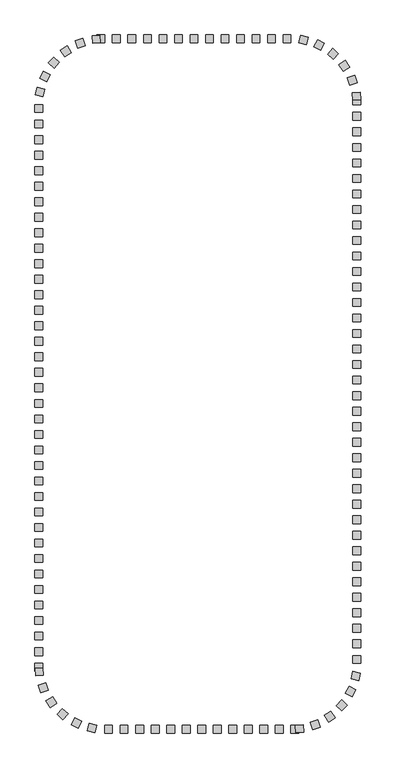
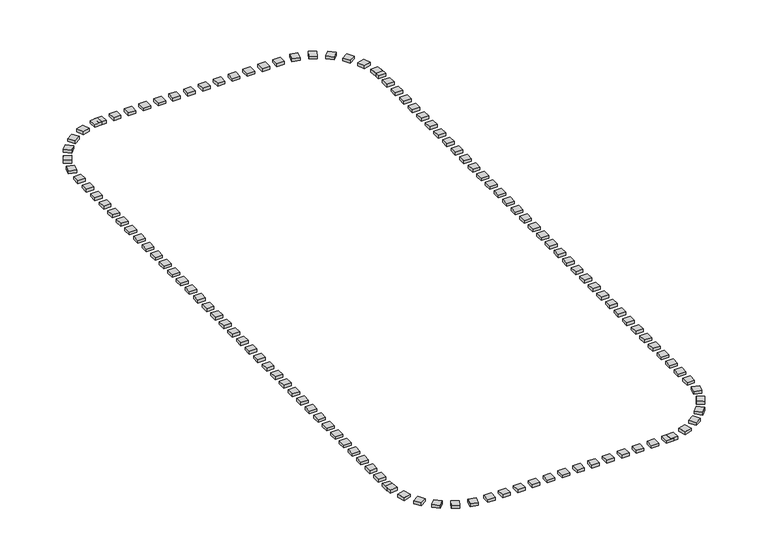
"""IFC4 building model written with IfcOpenShell, lengths in millimetres: railing geometry."""

from ifc_helpers import new_model, si_unit, origin, origin_with_axes, place, context, project, spatial, polyline, outline, extrude, source, transform, mapped, element, save


def railing_abcdac94(model_context):
    return source(origin(), model_context, "Body", "SweptSolid", [
        extrude(outline(polyline([(-58627.5176302, 2754.6603569), (-58627.5176302, 2254.6603569), (-59127.5176302, 2254.6603569), (-59127.5176302, 2754.6603569), (-58627.5176302, 2754.6603569)])), origin_with_axes(), (0.0, 0.0, 1.0), 200.0),
        extrude(outline(polyline([(-59627.5176302, 2754.6603569), (-59627.5176302, 2254.6603569), (-60127.5176302, 2254.6603569), (-60127.5176302, 2754.6603569), (-59627.5176302, 2754.6603569)])), origin_with_axes(), (0.0, 0.0, 1.0), 200.0),
        extrude(outline(polyline([(-60627.5176302, 2754.6603569), (-60627.5176302, 2254.6603569), (-61127.5176302, 2254.6603569), (-61127.5176302, 2754.6603569), (-60627.5176302, 2754.6603569)])), origin_with_axes(), (0.0, 0.0, 1.0), 200.0),
        extrude(outline(polyline([(-61627.5176302, 2754.6603569), (-61627.5176302, 2254.6603569), (-62127.5176302, 2254.6603569), (-62127.5176302, 2754.6603569), (-61627.5176302, 2754.6603569)])), origin_with_axes(), (0.0, 0.0, 1.0), 200.0),
        extrude(outline(polyline([(-62627.5176302, 2754.6603569), (-62627.5176302, 2254.6603569), (-63127.5176302, 2254.6603569), (-63127.5176302, 2754.6603569), (-62627.5176302, 2754.6603569)])), origin_with_axes(), (0.0, 0.0, 1.0), 200.0),
        extrude(outline(polyline([(-63627.5176302, 2754.6603569), (-63627.5176302, 2254.6603569), (-64127.5176302, 2254.6603569), (-64127.5176302, 2754.6603569), (-63627.5176302, 2754.6603569)])), origin_with_axes(), (0.0, 0.0, 1.0), 200.0),
        extrude(outline(polyline([(-64627.5176302, 2754.6603569), (-64627.5176302, 2254.6603569), (-65127.5176302, 2254.6603569), (-65127.5176302, 2754.6603569), (-64627.5176302, 2754.6603569)])), origin_with_axes(), (0.0, 0.0, 1.0), 200.0),
        extrude(outline(polyline([(-65627.5176302, 2754.6603569), (-65627.5176302, 2254.6603569), (-66127.5176302, 2254.6603569), (-66127.5176302, 2754.6603569), (-65627.5176302, 2754.6603569)])), origin_with_axes(), (0.0, 0.0, 1.0), 200.0),
        extrude(outline(polyline([(-66627.5176302, 2754.6603569), (-66627.5176302, 2254.6603569), (-67127.5176302, 2254.6603569), (-67127.5176302, 2754.6603569), (-66627.5176302, 2754.6603569)])), origin_with_axes(), (0.0, 0.0, 1.0), 200.0),
        extrude(outline(polyline([(-67627.5176302, 2754.6603569), (-67627.5176302, 2254.6603569), (-68127.5176302, 2254.6603569), (-68127.5176302, 2754.6603569), (-67627.5176302, 2754.6603569)])), origin_with_axes(), (0.0, 0.0, 1.0), 200.0),
        extrude(outline(polyline([(-68627.5176302, 2754.6603569), (-68627.5176302, 2254.6603569), (-69127.5176302, 2254.6603569), (-69127.5176302, 2754.6603569), (-68627.5176302, 2754.6603569)])), origin_with_axes(), (0.0, 0.0, 1.0), 200.0),
        extrude(outline(polyline([(-69945.8350377, 2743.3877966), (-69910.4664368, 2244.6403033), (-70409.2139301, 2209.2717025), (-70444.582531, 2708.0191958), (-69945.8350377, 2743.3877966)])), origin_with_axes(), (0.0, 0.0, 1.0), 200.0),
        extrude(outline(polyline([(-71046.4682609, 2525.091144), (-70888.8070797, 2050.5988343), (-71363.2993894, 1892.9376531), (-71520.9605706, 2367.4299628), (-71046.4682609, 2525.091144)])), origin_with_axes(), (0.0, 0.0, 1.0), 200.0),
        extrude(outline(polyline([(-72058.8780066, 2041.2797885), (-71788.7268536, 1620.5442961), (-72209.462346, 1350.3931432), (-72479.613499, 1771.1286356), (-72058.8780066, 2041.2797885)])), origin_with_axes(), (0.0, 0.0, 1.0), 200.0),
        extrude(outline(polyline([(-72920.1175401, 1322.034777), (-72554.2731056, 981.215397), (-72895.0924857, 615.3709625), (-73260.9369201, 956.1903425), (-72920.1175401, 1322.034777)])), origin_with_axes(), (0.0, 0.0, 1.0), 200.0),
        extrude(outline(polyline([(-73576.6391587, 412.0752806), (-73137.8478777, 172.3625113), (-73377.560647, -266.4287697), (-73816.351928, -26.7160004), (-73576.6391587, 412.0752806)])), origin_with_axes(), (0.0, 0.0, 1.0), 200.0),
        extrude(outline(polyline([(-73987.6235278, -632.0218265), (-73503.167317, -755.7238061), (-73626.8692966, -1240.180017), (-74111.3255075, -1116.4780373), (-73987.6235278, -632.0218265)])), origin_with_axes(), (0.0, 0.0, 1.0), 200.0),
        extrude(outline(polyline([(-74127.5176302, -2745.3396431), (-73627.5176302, -2745.3396431), (-73627.5176302, -3245.3396431), (-74127.5176302, -3245.3396431), (-74127.5176302, -2745.3396431)])), origin_with_axes(), (0.0, 0.0, 1.0), 200.0),
        extrude(outline(polyline([(-74127.5176302, -3745.3396431), (-73627.5176302, -3745.3396431), (-73627.5176302, -4245.3396431), (-74127.5176302, -4245.3396431), (-74127.5176302, -3745.3396431)])), origin_with_axes(), (0.0, 0.0, 1.0), 200.0),
        extrude(outline(polyline([(-74127.5176302, -4745.3396431), (-73627.5176302, -4745.3396431), (-73627.5176302, -5245.3396431), (-74127.5176302, -5245.3396431), (-74127.5176302, -4745.3396431)])), origin_with_axes(), (0.0, 0.0, 1.0), 200.0),
        extrude(outline(polyline([(-74127.5176302, -5745.3396431), (-73627.5176302, -5745.3396431), (-73627.5176302, -6245.3396431), (-74127.5176302, -6245.3396431), (-74127.5176302, -5745.3396431)])), origin_with_axes(), (0.0, 0.0, 1.0), 200.0),
        extrude(outline(polyline([(-74127.5176302, -6745.3396431), (-73627.5176302, -6745.3396431), (-73627.5176302, -7245.3396431), (-74127.5176302, -7245.3396431), (-74127.5176302, -6745.3396431)])), origin_with_axes(), (0.0, 0.0, 1.0), 200.0),
        extrude(outline(polyline([(-74127.5176302, -7745.3396431), (-73627.5176302, -7745.3396431), (-73627.5176302, -8245.3396431), (-74127.5176302, -8245.3396431), (-74127.5176302, -7745.3396431)])), origin_with_axes(), (0.0, 0.0, 1.0), 200.0),
        extrude(outline(polyline([(-74127.5176302, -8745.3396431), (-73627.5176302, -8745.3396431), (-73627.5176302, -9245.3396431), (-74127.5176302, -9245.3396431), (-74127.5176302, -8745.3396431)])), origin_with_axes(), (0.0, 0.0, 1.0), 200.0),
        extrude(outline(polyline([(-74127.5176302, -9745.3396431), (-73627.5176302, -9745.3396431), (-73627.5176302, -10245.3396431), (-74127.5176302, -10245.3396431), (-74127.5176302, -9745.3396431)])), origin_with_axes(), (0.0, 0.0, 1.0), 200.0),
        extrude(outline(polyline([(-74127.5176302, -10745.3396431), (-73627.5176302, -10745.3396431), (-73627.5176302, -11245.3396431), (-74127.5176302, -11245.3396431), (-74127.5176302, -10745.3396431)])), origin_with_axes(), (0.0, 0.0, 1.0), 200.0),
        extrude(outline(polyline([(-74127.5176302, -11745.3396431), (-73627.5176302, -11745.3396431), (-73627.5176302, -12245.3396431), (-74127.5176302, -12245.3396431), (-74127.5176302, -11745.3396431)])), origin_with_axes(), (0.0, 0.0, 1.0), 200.0),
        extrude(outline(polyline([(-74127.5176302, -12745.3396431), (-73627.5176302, -12745.3396431), (-73627.5176302, -13245.3396431), (-74127.5176302, -13245.3396431), (-74127.5176302, -12745.3396431)])), origin_with_axes(), (0.0, 0.0, 1.0), 200.0),
        extrude(outline(polyline([(-74127.5176302, -13745.3396431), (-73627.5176302, -13745.3396431), (-73627.5176302, -14245.3396431), (-74127.5176302, -14245.3396431), (-74127.5176302, -13745.3396431)])), origin_with_axes(), (0.0, 0.0, 1.0), 200.0),
        extrude(outline(polyline([(-74127.5176302, -14745.3396431), (-73627.5176302, -14745.3396431), (-73627.5176302, -15245.3396431), (-74127.5176302, -15245.3396431), (-74127.5176302, -14745.3396431)])), origin_with_axes(), (0.0, 0.0, 1.0), 200.0),
        extrude(outline(polyline([(-74127.5176302, -15745.3396431), (-73627.5176302, -15745.3396431), (-73627.5176302, -16245.3396431), (-74127.5176302, -16245.3396431), (-74127.5176302, -15745.3396431)])), origin_with_axes(), (0.0, 0.0, 1.0), 200.0),
        extrude(outline(polyline([(-74127.5176302, -16745.3396431), (-73627.5176302, -16745.3396431), (-73627.5176302, -17245.3396431), (-74127.5176302, -17245.3396431), (-74127.5176302, -16745.3396431)])), origin_with_axes(), (0.0, 0.0, 1.0), 200.0),
        extrude(outline(polyline([(-74127.5176302, -17745.3396431), (-73627.5176302, -17745.3396431), (-73627.5176302, -18245.3396431), (-74127.5176302, -18245.3396431), (-74127.5176302, -17745.3396431)])), origin_with_axes(), (0.0, 0.0, 1.0), 200.0),
        extrude(outline(polyline([(-74127.5176302, -18745.3396431), (-73627.5176302, -18745.3396431), (-73627.5176302, -19245.3396431), (-74127.5176302, -19245.3396431), (-74127.5176302, -18745.3396431)])), origin_with_axes(), (0.0, 0.0, 1.0), 200.0),
        extrude(outline(polyline([(-74127.5176302, -19745.3396431), (-73627.5176302, -19745.3396431), (-73627.5176302, -20245.3396431), (-74127.5176302, -20245.3396431), (-74127.5176302, -19745.3396431)])), origin_with_axes(), (0.0, 0.0, 1.0), 200.0),
        extrude(outline(polyline([(-74127.5176302, -20745.3396431), (-73627.5176302, -20745.3396431), (-73627.5176302, -21245.3396431), (-74127.5176302, -21245.3396431), (-74127.5176302, -20745.3396431)])), origin_with_axes(), (0.0, 0.0, 1.0), 200.0),
        extrude(outline(polyline([(-74127.5176302, -21745.3396431), (-73627.5176302, -21745.3396431), (-73627.5176302, -22245.3396431), (-74127.5176302, -22245.3396431), (-74127.5176302, -21745.3396431)])), origin_with_axes(), (0.0, 0.0, 1.0), 200.0),
        extrude(outline(polyline([(-74127.5176302, -22745.3396431), (-73627.5176302, -22745.3396431), (-73627.5176302, -23245.3396431), (-74127.5176302, -23245.3396431), (-74127.5176302, -22745.3396431)])), origin_with_axes(), (0.0, 0.0, 1.0), 200.0),
        extrude(outline(polyline([(-74127.5176302, -23745.3396431), (-73627.5176302, -23745.3396431), (-73627.5176302, -24245.3396431), (-74127.5176302, -24245.3396431), (-74127.5176302, -23745.3396431)])), origin_with_axes(), (0.0, 0.0, 1.0), 200.0),
        extrude(outline(polyline([(-74127.5176302, -24745.3396431), (-73627.5176302, -24745.3396431), (-73627.5176302, -25245.3396431), (-74127.5176302, -25245.3396431), (-74127.5176302, -24745.3396431)])), origin_with_axes(), (0.0, 0.0, 1.0), 200.0),
        extrude(outline(polyline([(-74127.5176302, -25745.3396431), (-73627.5176302, -25745.3396431), (-73627.5176302, -26245.3396431), (-74127.5176302, -26245.3396431), (-74127.5176302, -25745.3396431)])), origin_with_axes(), (0.0, 0.0, 1.0), 200.0),
        extrude(outline(polyline([(-74127.5176302, -26745.3396431), (-73627.5176302, -26745.3396431), (-73627.5176302, -27245.3396431), (-74127.5176302, -27245.3396431), (-74127.5176302, -26745.3396431)])), origin_with_axes(), (0.0, 0.0, 1.0), 200.0),
        extrude(outline(polyline([(-74127.5176302, -27745.3396431), (-73627.5176302, -27745.3396431), (-73627.5176302, -28245.3396431), (-74127.5176302, -28245.3396431), (-74127.5176302, -27745.3396431)])), origin_with_axes(), (0.0, 0.0, 1.0), 200.0),
        extrude(outline(polyline([(-74127.5176302, -28745.3396431), (-73627.5176302, -28745.3396431), (-73627.5176302, -29245.3396431), (-74127.5176302, -29245.3396431), (-74127.5176302, -28745.3396431)])), origin_with_axes(), (0.0, 0.0, 1.0), 200.0),
        extrude(outline(polyline([(-74127.5176302, -29745.3396431), (-73627.5176302, -29745.3396431), (-73627.5176302, -30245.3396431), (-74127.5176302, -30245.3396431), (-74127.5176302, -29745.3396431)])), origin_with_axes(), (0.0, 0.0, 1.0), 200.0),
        extrude(outline(polyline([(-74127.5176302, -30745.3396431), (-73627.5176302, -30745.3396431), (-73627.5176302, -31245.3396431), (-74127.5176302, -31245.3396431), (-74127.5176302, -30745.3396431)])), origin_with_axes(), (0.0, 0.0, 1.0), 200.0),
        extrude(outline(polyline([(-74127.5176302, -31745.3396431), (-73627.5176302, -31745.3396431), (-73627.5176302, -32245.3396431), (-74127.5176302, -32245.3396431), (-74127.5176302, -31745.3396431)])), origin_with_axes(), (0.0, 0.0, 1.0), 200.0),
        extrude(outline(polyline([(-74127.5176302, -32745.3396431), (-73627.5176302, -32745.3396431), (-73627.5176302, -33245.3396431), (-74127.5176302, -33245.3396431), (-74127.5176302, -32745.3396431)])), origin_with_axes(), (0.0, 0.0, 1.0), 200.0),
        extrude(outline(polyline([(-74127.5176302, -33745.3396431), (-73627.5176302, -33745.3396431), (-73627.5176302, -34245.3396431), (-74127.5176302, -34245.3396431), (-74127.5176302, -33745.3396431)])), origin_with_axes(), (0.0, 0.0, 1.0), 200.0),
        extrude(outline(polyline([(-74127.5176302, -34745.3396431), (-73627.5176302, -34745.3396431), (-73627.5176302, -35245.3396431), (-74127.5176302, -35245.3396431), (-74127.5176302, -34745.3396431)])), origin_with_axes(), (0.0, 0.0, 1.0), 200.0),
        extrude(outline(polyline([(-74127.5176302, -35745.3396431), (-73627.5176302, -35745.3396431), (-73627.5176302, -36245.3396431), (-74127.5176302, -36245.3396431), (-74127.5176302, -35745.3396431)])), origin_with_axes(), (0.0, 0.0, 1.0), 200.0),
        extrude(outline(polyline([(-74127.5176302, -36745.3396431), (-73627.5176302, -36745.3396431), (-73627.5176302, -37245.3396431), (-74127.5176302, -37245.3396431), (-74127.5176302, -36745.3396431)])), origin_with_axes(), (0.0, 0.0, 1.0), 200.0),
        extrude(outline(polyline([(-74116.2450699, -38063.6570506), (-73617.4975766, -38028.2884498), (-73582.1289757, -38527.0359431), (-74080.876469, -38562.4045439), (-74116.2450699, -38063.6570506)])), origin_with_axes(), (0.0, 0.0, 1.0), 200.0),
        extrude(outline(polyline([(-73897.9484173, -39164.2902739), (-73423.4561076, -39006.6290927), (-73265.7949264, -39481.1214024), (-73740.2872361, -39638.7825836), (-73897.9484173, -39164.2902739)])), origin_with_axes(), (0.0, 0.0, 1.0), 200.0),
        extrude(outline(polyline([(-73414.1370618, -40176.7000195), (-72993.4015694, -39906.5488666), (-72723.2504164, -40327.284359), (-73143.9859089, -40597.4355119), (-73414.1370618, -40176.7000195)])), origin_with_axes(), (0.0, 0.0, 1.0), 200.0),
        extrude(outline(polyline([(-72694.8920503, -41037.9395531), (-72354.0726702, -40672.0951186), (-71988.2282358, -41012.9144986), (-72329.0476158, -41378.7589331), (-72694.8920503, -41037.9395531)])), origin_with_axes(), (0.0, 0.0, 1.0), 200.0),
        extrude(outline(polyline([(-71784.9325539, -41694.4611716), (-71545.2197846, -41255.6698907), (-71106.4285036, -41495.38266), (-71346.1412729, -41934.1739409), (-71784.9325539, -41694.4611716)])), origin_with_axes(), (0.0, 0.0, 1.0), 200.0),
        extrude(outline(polyline([(-70740.8354468, -42105.4455408), (-70617.1334672, -41620.98933), (-70132.6772563, -41744.6913096), (-70256.3792359, -42229.1475205), (-70740.8354468, -42105.4455408)])), origin_with_axes(), (0.0, 0.0, 1.0), 200.0),
        extrude(outline(polyline([(-68627.5176302, -42245.3396431), (-68627.5176302, -41745.3396431), (-68127.5176302, -41745.3396431), (-68127.5176302, -42245.3396431), (-68627.5176302, -42245.3396431)])), origin_with_axes(), (0.0, 0.0, 1.0), 200.0),
        extrude(outline(polyline([(-67627.5176302, -42245.3396431), (-67627.5176302, -41745.3396431), (-67127.5176302, -41745.3396431), (-67127.5176302, -42245.3396431), (-67627.5176302, -42245.3396431)])), origin_with_axes(), (0.0, 0.0, 1.0), 200.0),
        extrude(outline(polyline([(-66627.5176302, -42245.3396431), (-66627.5176302, -41745.3396431), (-66127.5176302, -41745.3396431), (-66127.5176302, -42245.3396431), (-66627.5176302, -42245.3396431)])), origin_with_axes(), (0.0, 0.0, 1.0), 200.0),
        extrude(outline(polyline([(-65627.5176302, -42245.3396431), (-65627.5176302, -41745.3396431), (-65127.5176302, -41745.3396431), (-65127.5176302, -42245.3396431), (-65627.5176302, -42245.3396431)])), origin_with_axes(), (0.0, 0.0, 1.0), 200.0),
        extrude(outline(polyline([(-64627.5176302, -42245.3396431), (-64627.5176302, -41745.3396431), (-64127.5176302, -41745.3396431), (-64127.5176302, -42245.3396431), (-64627.5176302, -42245.3396431)])), origin_with_axes(), (0.0, 0.0, 1.0), 200.0),
        extrude(outline(polyline([(-63627.5176302, -42245.3396431), (-63627.5176302, -41745.3396431), (-63127.5176302, -41745.3396431), (-63127.5176302, -42245.3396431), (-63627.5176302, -42245.3396431)])), origin_with_axes(), (0.0, 0.0, 1.0), 200.0),
        extrude(outline(polyline([(-62627.5176302, -42245.3396431), (-62627.5176302, -41745.3396431), (-62127.5176302, -41745.3396431), (-62127.5176302, -42245.3396431), (-62627.5176302, -42245.3396431)])), origin_with_axes(), (0.0, 0.0, 1.0), 200.0),
        extrude(outline(polyline([(-61627.5176302, -42245.3396431), (-61627.5176302, -41745.3396431), (-61127.5176302, -41745.3396431), (-61127.5176302, -42245.3396431), (-61627.5176302, -42245.3396431)])), origin_with_axes(), (0.0, 0.0, 1.0), 200.0),
        extrude(outline(polyline([(-60627.5176302, -42245.3396431), (-60627.5176302, -41745.3396431), (-60127.5176302, -41745.3396431), (-60127.5176302, -42245.3396431), (-60627.5176302, -42245.3396431)])), origin_with_axes(), (0.0, 0.0, 1.0), 200.0),
        extrude(outline(polyline([(-59627.5176302, -42245.3396431), (-59627.5176302, -41745.3396431), (-59127.5176302, -41745.3396431), (-59127.5176302, -42245.3396431), (-59627.5176302, -42245.3396431)])), origin_with_axes(), (0.0, 0.0, 1.0), 200.0),
        extrude(outline(polyline([(-58627.5176302, -42245.3396431), (-58627.5176302, -41745.3396431), (-58127.5176302, -41745.3396431), (-58127.5176302, -42245.3396431), (-58627.5176302, -42245.3396431)])), origin_with_axes(), (0.0, 0.0, 1.0), 200.0),
        extrude(outline(polyline([(-57309.2002226, -42234.0670828), (-57344.5688235, -41735.3195895), (-56845.8213302, -41699.9509887), (-56810.4527293, -42198.698482), (-57309.2002226, -42234.0670828)])), origin_with_axes(), (0.0, 0.0, 1.0), 200.0),
        extrude(outline(polyline([(-56208.5669994, -42015.7704302), (-56366.2281806, -41541.2781206), (-55891.7358709, -41383.6169394), (-55734.0746897, -41858.109249), (-56208.5669994, -42015.7704302)])), origin_with_axes(), (0.0, 0.0, 1.0), 200.0),
        extrude(outline(polyline([(-55196.1572537, -41531.9590748), (-55466.3084067, -41111.2235824), (-55045.5729143, -40841.0724294), (-54775.4217613, -41261.8079218), (-55196.1572537, -41531.9590748)])), origin_with_axes(), (0.0, 0.0, 1.0), 200.0),
        extrude(outline(polyline([(-54334.9177202, -40812.7140632), (-54700.7621547, -40471.8946832), (-54359.9427746, -40106.0502488), (-53994.0983402, -40446.8696288), (-54334.9177202, -40812.7140632)])), origin_with_axes(), (0.0, 0.0, 1.0), 200.0),
        extrude(outline(polyline([(-53678.3961016, -39902.7545668), (-54117.1873826, -39663.0417975), (-53877.4746133, -39224.2505166), (-53438.6833323, -39463.9632859), (-53678.3961016, -39902.7545668)])), origin_with_axes(), (0.0, 0.0, 1.0), 200.0),
        extrude(outline(polyline([(-53267.4117325, -38858.6574598), (-53751.8679433, -38734.9554801), (-53628.1659637, -38250.4992693), (-53143.7097528, -38374.2012489), (-53267.4117325, -38858.6574598)])), origin_with_axes(), (0.0, 0.0, 1.0), 200.0),
        extrude(outline(polyline([(-53127.5176302, -36745.3396431), (-53627.5176302, -36745.3396431), (-53627.5176302, -36245.3396431), (-53127.5176302, -36245.3396431), (-53127.5176302, -36745.3396431)])), origin_with_axes(), (0.0, 0.0, 1.0), 200.0),
        extrude(outline(polyline([(-53127.5176302, -35745.3396431), (-53627.5176302, -35745.3396431), (-53627.5176302, -35245.3396431), (-53127.5176302, -35245.3396431), (-53127.5176302, -35745.3396431)])), origin_with_axes(), (0.0, 0.0, 1.0), 200.0),
        extrude(outline(polyline([(-53127.5176302, -34745.3396431), (-53627.5176302, -34745.3396431), (-53627.5176302, -34245.3396431), (-53127.5176302, -34245.3396431), (-53127.5176302, -34745.3396431)])), origin_with_axes(), (0.0, 0.0, 1.0), 200.0),
        extrude(outline(polyline([(-53127.5176302, -33745.3396431), (-53627.5176302, -33745.3396431), (-53627.5176302, -33245.3396431), (-53127.5176302, -33245.3396431), (-53127.5176302, -33745.3396431)])), origin_with_axes(), (0.0, 0.0, 1.0), 200.0),
        extrude(outline(polyline([(-53127.5176302, -32745.3396431), (-53627.5176302, -32745.3396431), (-53627.5176302, -32245.3396431), (-53127.5176302, -32245.3396431), (-53127.5176302, -32745.3396431)])), origin_with_axes(), (0.0, 0.0, 1.0), 200.0),
        extrude(outline(polyline([(-53127.5176302, -31745.3396431), (-53627.5176302, -31745.3396431), (-53627.5176302, -31245.3396431), (-53127.5176302, -31245.3396431), (-53127.5176302, -31745.3396431)])), origin_with_axes(), (0.0, 0.0, 1.0), 200.0),
        extrude(outline(polyline([(-53127.5176302, -30745.3396431), (-53627.5176302, -30745.3396431), (-53627.5176302, -30245.3396431), (-53127.5176302, -30245.3396431), (-53127.5176302, -30745.3396431)])), origin_with_axes(), (0.0, 0.0, 1.0), 200.0),
        extrude(outline(polyline([(-53127.5176302, -29745.3396431), (-53627.5176302, -29745.3396431), (-53627.5176302, -29245.3396431), (-53127.5176302, -29245.3396431), (-53127.5176302, -29745.3396431)])), origin_with_axes(), (0.0, 0.0, 1.0), 200.0),
        extrude(outline(polyline([(-53127.5176302, -28745.3396431), (-53627.5176302, -28745.3396431), (-53627.5176302, -28245.3396431), (-53127.5176302, -28245.3396431), (-53127.5176302, -28745.3396431)])), origin_with_axes(), (0.0, 0.0, 1.0), 200.0),
        extrude(outline(polyline([(-53127.5176302, -27745.3396431), (-53627.5176302, -27745.3396431), (-53627.5176302, -27245.3396431), (-53127.5176302, -27245.3396431), (-53127.5176302, -27745.3396431)])), origin_with_axes(), (0.0, 0.0, 1.0), 200.0),
        extrude(outline(polyline([(-53127.5176302, -26745.3396431), (-53627.5176302, -26745.3396431), (-53627.5176302, -26245.3396431), (-53127.5176302, -26245.3396431), (-53127.5176302, -26745.3396431)])), origin_with_axes(), (0.0, 0.0, 1.0), 200.0),
        extrude(outline(polyline([(-53127.5176302, -25745.3396431), (-53627.5176302, -25745.3396431), (-53627.5176302, -25245.3396431), (-53127.5176302, -25245.3396431), (-53127.5176302, -25745.3396431)])), origin_with_axes(), (0.0, 0.0, 1.0), 200.0),
        extrude(outline(polyline([(-53127.5176302, -24745.3396431), (-53627.5176302, -24745.3396431), (-53627.5176302, -24245.3396431), (-53127.5176302, -24245.3396431), (-53127.5176302, -24745.3396431)])), origin_with_axes(), (0.0, 0.0, 1.0), 200.0),
        extrude(outline(polyline([(-53127.5176302, -23745.3396431), (-53627.5176302, -23745.3396431), (-53627.5176302, -23245.3396431), (-53127.5176302, -23245.3396431), (-53127.5176302, -23745.3396431)])), origin_with_axes(), (0.0, 0.0, 1.0), 200.0),
        extrude(outline(polyline([(-53127.5176302, -22745.3396431), (-53627.5176302, -22745.3396431), (-53627.5176302, -22245.3396431), (-53127.5176302, -22245.3396431), (-53127.5176302, -22745.3396431)])), origin_with_axes(), (0.0, 0.0, 1.0), 200.0),
        extrude(outline(polyline([(-53127.5176302, -21745.3396431), (-53627.5176302, -21745.3396431), (-53627.5176302, -21245.3396431), (-53127.5176302, -21245.3396431), (-53127.5176302, -21745.3396431)])), origin_with_axes(), (0.0, 0.0, 1.0), 200.0),
        extrude(outline(polyline([(-53127.5176302, -20745.3396431), (-53627.5176302, -20745.3396431), (-53627.5176302, -20245.3396431), (-53127.5176302, -20245.3396431), (-53127.5176302, -20745.3396431)])), origin_with_axes(), (0.0, 0.0, 1.0), 200.0),
        extrude(outline(polyline([(-53127.5176302, -19745.3396431), (-53627.5176302, -19745.3396431), (-53627.5176302, -19245.3396431), (-53127.5176302, -19245.3396431), (-53127.5176302, -19745.3396431)])), origin_with_axes(), (0.0, 0.0, 1.0), 200.0),
        extrude(outline(polyline([(-53127.5176302, -18745.3396431), (-53627.5176302, -18745.3396431), (-53627.5176302, -18245.3396431), (-53127.5176302, -18245.3396431), (-53127.5176302, -18745.3396431)])), origin_with_axes(), (0.0, 0.0, 1.0), 200.0),
        extrude(outline(polyline([(-53127.5176302, -17745.3396431), (-53627.5176302, -17745.3396431), (-53627.5176302, -17245.3396431), (-53127.5176302, -17245.3396431), (-53127.5176302, -17745.3396431)])), origin_with_axes(), (0.0, 0.0, 1.0), 200.0),
        extrude(outline(polyline([(-53127.5176302, -16745.3396431), (-53627.5176302, -16745.3396431), (-53627.5176302, -16245.3396431), (-53127.5176302, -16245.3396431), (-53127.5176302, -16745.3396431)])), origin_with_axes(), (0.0, 0.0, 1.0), 200.0),
        extrude(outline(polyline([(-53127.5176302, -15745.3396431), (-53627.5176302, -15745.3396431), (-53627.5176302, -15245.3396431), (-53127.5176302, -15245.3396431), (-53127.5176302, -15745.3396431)])), origin_with_axes(), (0.0, 0.0, 1.0), 200.0),
        extrude(outline(polyline([(-53127.5176302, -14745.3396431), (-53627.5176302, -14745.3396431), (-53627.5176302, -14245.3396431), (-53127.5176302, -14245.3396431), (-53127.5176302, -14745.3396431)])), origin_with_axes(), (0.0, 0.0, 1.0), 200.0),
        extrude(outline(polyline([(-53127.5176302, -13745.3396431), (-53627.5176302, -13745.3396431), (-53627.5176302, -13245.3396431), (-53127.5176302, -13245.3396431), (-53127.5176302, -13745.3396431)])), origin_with_axes(), (0.0, 0.0, 1.0), 200.0),
        extrude(outline(polyline([(-53127.5176302, -12745.3396431), (-53627.5176302, -12745.3396431), (-53627.5176302, -12245.3396431), (-53127.5176302, -12245.3396431), (-53127.5176302, -12745.3396431)])), origin_with_axes(), (0.0, 0.0, 1.0), 200.0),
        extrude(outline(polyline([(-53127.5176302, -11745.3396431), (-53627.5176302, -11745.3396431), (-53627.5176302, -11245.3396431), (-53127.5176302, -11245.3396431), (-53127.5176302, -11745.3396431)])), origin_with_axes(), (0.0, 0.0, 1.0), 200.0),
        extrude(outline(polyline([(-53127.5176302, -10745.3396431), (-53627.5176302, -10745.3396431), (-53627.5176302, -10245.3396431), (-53127.5176302, -10245.3396431), (-53127.5176302, -10745.3396431)])), origin_with_axes(), (0.0, 0.0, 1.0), 200.0),
        extrude(outline(polyline([(-53127.5176302, -9745.3396431), (-53627.5176302, -9745.3396431), (-53627.5176302, -9245.3396431), (-53127.5176302, -9245.3396431), (-53127.5176302, -9745.3396431)])), origin_with_axes(), (0.0, 0.0, 1.0), 200.0),
        extrude(outline(polyline([(-53127.5176302, -8745.3396431), (-53627.5176302, -8745.3396431), (-53627.5176302, -8245.3396431), (-53127.5176302, -8245.3396431), (-53127.5176302, -8745.3396431)])), origin_with_axes(), (0.0, 0.0, 1.0), 200.0),
        extrude(outline(polyline([(-53127.5176302, -7745.3396431), (-53627.5176302, -7745.3396431), (-53627.5176302, -7245.3396431), (-53127.5176302, -7245.3396431), (-53127.5176302, -7745.3396431)])), origin_with_axes(), (0.0, 0.0, 1.0), 200.0),
        extrude(outline(polyline([(-53127.5176302, -6745.3396431), (-53627.5176302, -6745.3396431), (-53627.5176302, -6245.3396431), (-53127.5176302, -6245.3396431), (-53127.5176302, -6745.3396431)])), origin_with_axes(), (0.0, 0.0, 1.0), 200.0),
        extrude(outline(polyline([(-53127.5176302, -5745.3396431), (-53627.5176302, -5745.3396431), (-53627.5176302, -5245.3396431), (-53127.5176302, -5245.3396431), (-53127.5176302, -5745.3396431)])), origin_with_axes(), (0.0, 0.0, 1.0), 200.0),
        extrude(outline(polyline([(-53127.5176302, -4745.3396431), (-53627.5176302, -4745.3396431), (-53627.5176302, -4245.3396431), (-53127.5176302, -4245.3396431), (-53127.5176302, -4745.3396431)])), origin_with_axes(), (0.0, 0.0, 1.0), 200.0),
        extrude(outline(polyline([(-53127.5176302, -3745.3396431), (-53627.5176302, -3745.3396431), (-53627.5176302, -3245.3396431), (-53127.5176302, -3245.3396431), (-53127.5176302, -3745.3396431)])), origin_with_axes(), (0.0, 0.0, 1.0), 200.0),
        extrude(outline(polyline([(-53127.5176302, -2745.3396431), (-53627.5176302, -2745.3396431), (-53627.5176302, -2245.3396431), (-53127.5176302, -2245.3396431), (-53127.5176302, -2745.3396431)])), origin_with_axes(), (0.0, 0.0, 1.0), 200.0),
        extrude(outline(polyline([(-53138.7901904, -1427.0222356), (-53637.5376837, -1462.3908365), (-53672.9062846, -963.6433432), (-53174.1587913, -928.2747423), (-53138.7901904, -1427.0222356)])), origin_with_axes(), (0.0, 0.0, 1.0), 200.0),
        extrude(outline(polyline([(-53357.0868431, -326.3890124), (-53831.5791527, -484.0501935), (-53989.2403339, -9.5578839), (-53514.7480242, 148.1032973), (-53357.0868431, -326.3890124)])), origin_with_axes(), (0.0, 0.0, 1.0), 200.0),
        extrude(outline(polyline([(-53840.8981985, 686.0207333), (-54261.6336909, 415.8695803), (-54531.7848439, 836.6050727), (-54111.0493514, 1106.7562257), (-53840.8981985, 686.0207333)])), origin_with_axes(), (0.0, 0.0, 1.0), 200.0),
        extrude(outline(polyline([(-54560.14321, 1547.2602668), (-54900.9625901, 1181.4158324), (-55266.8070245, 1522.2352124), (-54925.9876445, 1888.0796468), (-54560.14321, 1547.2602668)])), origin_with_axes(), (0.0, 0.0, 1.0), 200.0),
        extrude(outline(polyline([(-55470.1027064, 2203.7818854), (-55709.8154757, 1764.9906044), (-56148.6067567, 2004.7033737), (-55908.8939874, 2443.4946547), (-55470.1027064, 2203.7818854)])), origin_with_axes(), (0.0, 0.0, 1.0), 200.0),
        extrude(outline(polyline([(-56514.1998135, 2614.7662546), (-56637.9017931, 2130.3100437), (-57122.358004, 2254.0120233), (-56998.6560244, 2738.4682342), (-56514.1998135, 2614.7662546)])), origin_with_axes(), (0.0, 0.0, 1.0), 200.0),
        extrude(outline(polyline([(-57627.5176302, 2754.6603569), (-57627.5176302, 2254.6603569), (-58127.5176302, 2254.6603569), (-58127.5176302, 2754.6603569), (-57627.5176302, 2754.6603569)])), origin_with_axes(), (0.0, 0.0, 1.0), 200.0),
        extrude(outline(polyline([(-69627.5176302, 2754.6603569), (-69627.5176302, 2254.6603569), (-70127.5176302, 2254.6603569), (-70127.5176302, 2754.6603569), (-69627.5176302, 2754.6603569)])), origin_with_axes(), (0.0, 0.0, 1.0), 200.0),
        extrude(outline(polyline([(-74127.5176302, -1745.3396431), (-73627.5176302, -1745.3396431), (-73627.5176302, -2245.3396431), (-74127.5176302, -2245.3396431), (-74127.5176302, -1745.3396431)])), origin_with_axes(), (0.0, 0.0, 1.0), 200.0),
        extrude(outline(polyline([(-74127.5176302, -37745.3396431), (-73627.5176302, -37745.3396431), (-73627.5176302, -38245.3396431), (-74127.5176302, -38245.3396431), (-74127.5176302, -37745.3396431)])), origin_with_axes(), (0.0, 0.0, 1.0), 200.0),
        extrude(outline(polyline([(-69627.5176302, -42245.3396431), (-69627.5176302, -41745.3396431), (-69127.5176302, -41745.3396431), (-69127.5176302, -42245.3396431), (-69627.5176302, -42245.3396431)])), origin_with_axes(), (0.0, 0.0, 1.0), 200.0),
        extrude(outline(polyline([(-57627.5176302, -42245.3396431), (-57627.5176302, -41745.3396431), (-57127.5176302, -41745.3396431), (-57127.5176302, -42245.3396431), (-57627.5176302, -42245.3396431)])), origin_with_axes(), (0.0, 0.0, 1.0), 200.0),
        extrude(outline(polyline([(-53127.5176302, -37745.3396431), (-53627.5176302, -37745.3396431), (-53627.5176302, -37245.3396431), (-53127.5176302, -37245.3396431), (-53127.5176302, -37745.3396431)])), origin_with_axes(), (0.0, 0.0, 1.0), 200.0),
        extrude(outline(polyline([(-53127.5176302, -1745.3396431), (-53627.5176302, -1745.3396431), (-53627.5176302, -1245.3396431), (-53127.5176302, -1245.3396431), (-53127.5176302, -1745.3396431)])), origin_with_axes(), (0.0, 0.0, 1.0), 200.0),
    ])


if __name__ == "__main__":
    model = new_model("IFC4")
    model_context = context("Model", 3, world=origin())
    ifc_project = project(units=[si_unit("LENGTHUNIT", "METRE", prefix="MILLI")], contexts=[model_context])
    site = spatial("IfcSite", under=ifc_project)
    building = spatial("IfcBuilding", under=site)
    placement = place(None, origin())
    railing_shape = railing_abcdac94(model_context)
    element("IfcRailing", 1, at=placement, inside=building, context=model_context, shape_type="MappedRepresentation", body=[
        mapped(railing_shape, transform((0.0, 0.0, 0.0), x_axis=(1.0, 0.0, 0.0), y_axis=(0.0, 1.0, 0.0), z_axis=(0.0, 0.0, 1.0))),
    ])
    save(model, "model.ifc")
